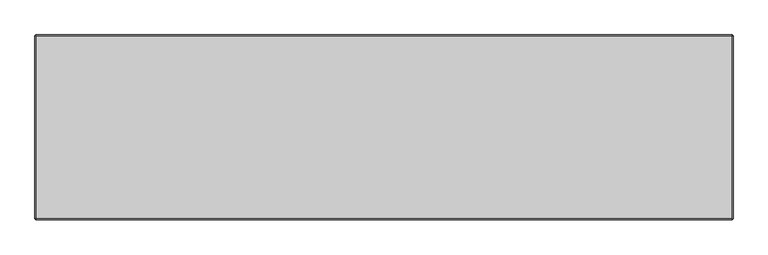
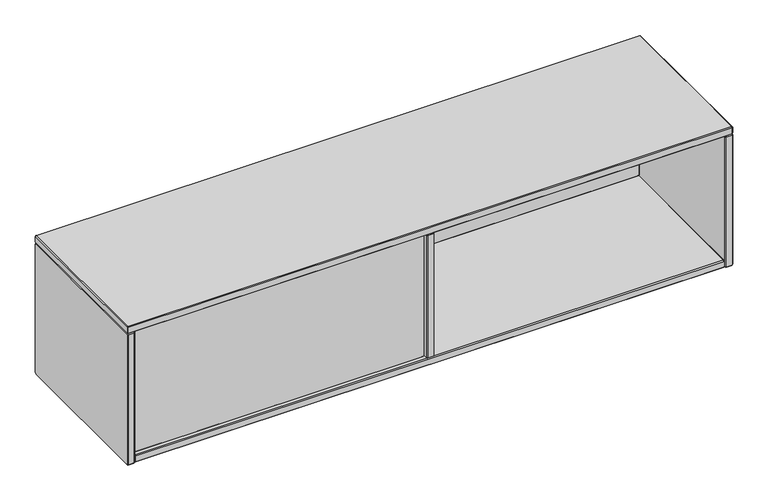
"""IFC4 building model written with IfcOpenShell, lengths in millimetres: furniture geometry."""

import ifcopenshell
import ifcopenshell.guid

model = None  # the IFC model being written
_history = None  # IfcOwnerHistory: only IFC2X3 demands one
_inside = {}  # id of a spatial element -> (the spatial element, [elements in it])
_under = {}  # id of a project, library or spatial element -> (it, [spatial elements below it])
_declared = {}  # id of a project -> (the project, [libraries it declares])
_typed = {}  # id of a type object -> (the type object, [elements of that type])
_made_of = {}  # id of a material, layer set ... -> (it, [elements and type objects made of it])


def new_model(schema):
    """Start an empty IFC model of exactly this schema.

    Asked for "IFC4X3", IfcOpenShell would pick the latest addendum, in which some entities
    have other attributes; the version numbers below select the first issue.
    IFC2X3 requires an IfcOwnerHistory on every rooted entity: one is made here for all.
    """
    global model, _history
    if schema == "IFC4X3":
        model = ifcopenshell.file(schema_version=(4, 3, 0, 0))
    else:
        model = ifcopenshell.file(schema=schema)
    _inside.clear()
    _under.clear()
    _declared.clear()
    _typed.clear()
    _made_of.clear()
    _history = None
    if model.schema == "IFC2X3":
        org = make("IfcOrganization", Name="unknown")
        user = make(
            "IfcPersonAndOrganization",
            ThePerson=make("IfcPerson", FamilyName="unknown"),
            TheOrganization=org,
        )
        app = make(
            "IfcApplication",
            ApplicationDeveloper=org,
            Version="unknown",
            ApplicationFullName="unknown",
            ApplicationIdentifier="unknown",
        )
        _history = make(
            "IfcOwnerHistory",
            OwningUser=user,
            OwningApplication=app,
            ChangeAction="ADDED",
            CreationDate=0,
        )
    return model


def make(cls, **values):
    """One entity of the class cls with the attributes given. An attribute that is None is left unset."""
    return model.create_entity(
        cls, **{name: value for name, value in values.items() if value is not None}
    )


def rooted(cls, **values):
    """An entity with a GlobalId (a new one), such as an element, a storey or a relation."""
    return make(cls, GlobalId=ifcopenshell.guid.new(), OwnerHistory=_history, **values)


def si_unit(unit_type, name, prefix=None):
    """IfcSIUnit, for example si_unit("LENGTHUNIT", "METRE", prefix="MILLI")."""
    return make("IfcSIUnit", UnitType=unit_type, Prefix=prefix, Name=name)


def assignment(units):
    """IfcUnitAssignment: the units of a project."""
    return None if units is None else make("IfcUnitAssignment", Units=units)


def point(xyz):
    """IfcCartesianPoint."""
    return None if xyz is None else make("IfcCartesianPoint", Coordinates=xyz)


def direction(xyz):
    """IfcDirection."""
    return None if xyz is None else make("IfcDirection", DirectionRatios=xyz)


def frame(location, z_axis=None, x_axis=None):
    """IfcAxis2Placement3D, a coordinate frame: its origin and axes. An axis left out is left unset."""
    return make(
        "IfcAxis2Placement3D",
        Location=point(location),
        Axis=direction(z_axis),
        RefDirection=direction(x_axis),
    )


def origin():
    """The frame at (0, 0, 0) with its axes left unset."""
    return frame((0.0, 0.0, 0.0))


def place(relative_to, where):
    """IfcLocalPlacement: puts the frame where relative to a parent placement (None: the world)."""
    return make(
        "IfcLocalPlacement", PlacementRelTo=relative_to, RelativePlacement=where
    )


def context(
    kind, dimensions, precision=None, world=None, true_north=None, identifier=None
):
    """IfcGeometricRepresentationContext, for example the 3D "Model" context."""
    return make(
        "IfcGeometricRepresentationContext",
        ContextIdentifier=identifier,
        ContextType=kind,
        CoordinateSpaceDimension=dimensions,
        Precision=precision,
        WorldCoordinateSystem=world,
        TrueNorth=true_north,
    )


def project(units=None, contexts=None):
    """IfcProject with its units and contexts."""
    return rooted(
        "IfcProject",
        Name="project",
        RepresentationContexts=contexts,
        UnitsInContext=assignment(units),
    )


def spatial(cls, under=None, at=None, **own):
    """A site, building, storey or space (cls), placed at a placement, below another one or the project."""
    s = rooted(cls, ObjectPlacement=at, **own)
    if under is not None:
        _under.setdefault(under.id(), (under, []))[1].append(s)
    return s


def faces_of(points, faces, orient=None, outer=None):
    """IfcFace entities. A face is a list of loops; a loop is a list of indices into points, from 0.

    orient and outer hold one flag for each loop. By default every Orientation is true, the
    first loop of a face is its IfcFaceOuterBound and the others are IfcFaceBound.
    """
    made = []
    for i, loops in enumerate(faces):
        bounds = []
        for j, loop in enumerate(loops):
            is_outer = j == 0 if outer is None else outer[i][j]
            bounds.append(
                make(
                    "IfcFaceOuterBound" if is_outer else "IfcFaceBound",
                    Bound=make("IfcPolyLoop", Polygon=[points[k] for k in loop]),
                    Orientation=True if orient is None else orient[i][j],
                )
            )
        made.append(make("IfcFace", Bounds=bounds))
    return made


def faceted_brep(points, faces, orient=None, outer=None, voids=None):
    """IfcFacetedBrep: a solid bounded by flat faces; with voids (closed shells), ...WithVoids."""
    shared = [point(p) for p in points]
    hull = make("IfcClosedShell", CfsFaces=faces_of(shared, faces, orient, outer))
    if voids is None:
        return make("IfcFacetedBrep", Outer=hull)
    return make(
        "IfcFacetedBrepWithVoids",
        Outer=hull,
        Voids=[
            make(cls, CfsFaces=faces_of(shared, fs, o, b)) for cls, fs, o, b in voids
        ],
    )


def shape(context_of_items, identifier, shape_type, items):
    """IfcShapeRepresentation: the items that make up one representation, for example the "Body"."""
    return make(
        "IfcShapeRepresentation",
        ContextOfItems=context_of_items,
        RepresentationIdentifier=identifier,
        RepresentationType=shape_type,
        Items=items,
    )


def source(mapping_origin, context_of_items, identifier, shape_type, items):
    """IfcRepresentationMap: a shape defined once, which mapped items show again and again."""
    return make(
        "IfcRepresentationMap",
        MappingOrigin=mapping_origin,
        MappedRepresentation=shape(context_of_items, identifier, shape_type, items),
    )


def transform(
    local_origin,
    x_axis=None,
    y_axis=None,
    z_axis=None,
    scale=None,
    scale2=None,
    scale3=None,
    uniform=True,
):
    """IfcCartesianTransformationOperator3D, or its non-uniform kind. x_axis, y_axis, z_axis: its Axis1, 2, 3."""
    if uniform:
        return make(
            "IfcCartesianTransformationOperator3D",
            Axis1=direction(x_axis),
            Axis2=direction(y_axis),
            LocalOrigin=point(local_origin),
            Scale=scale,
            Axis3=direction(z_axis),
        )
    return make(
        "IfcCartesianTransformationOperator3DnonUniform",
        Axis1=direction(x_axis),
        Axis2=direction(y_axis),
        LocalOrigin=point(local_origin),
        Scale=scale,
        Axis3=direction(z_axis),
        Scale2=scale2,
        Scale3=scale3,
    )


def mapped(mapping_source, mapping_target):
    """IfcMappedItem: shows the shape of a source again, moved by a transform."""
    return make(
        "IfcMappedItem", MappingSource=mapping_source, MappingTarget=mapping_target
    )


def made_of(thing, what):
    """Note that an element or type object is made of a material, layer set ...; save() writes the relation."""
    if what is not None:
        _made_of.setdefault(what.id(), (what, []))[1].append(thing)
    return thing


def element(
    cls,
    number,
    at=None,
    inside=None,
    cuts=None,
    type_object=None,
    material=None,
    context=None,
    identifier="Body",
    shape_type=None,
    held_by="IfcProductDefinitionShape",
    body=None,
    shapes=None,
    **own,
):
    """One element of the class cls, such as IfcWall. Its Tag is "e" and its number.

    at: its placement. inside: the storey or other place that contains it. cuts: it is an
    opening in that element (IfcRelVoidsElement). A single representation is given by context,
    identifier, shape_type and body (its items); several are given by shapes. held_by: the class
    of the entity that holds the representations. save() writes the other relations.
    """
    e = rooted(cls, Tag="e%d" % number, ObjectPlacement=at, **own)
    if body is not None:
        shapes = [shape(context, identifier, shape_type, body)]
    if shapes is not None:
        e.Representation = make(held_by, Representations=shapes)
    if inside is not None:
        _inside.setdefault(inside.id(), (inside, []))[1].append(e)
    if cuts is not None:
        rooted(
            "IfcRelVoidsElement", RelatingBuildingElement=cuts, RelatedOpeningElement=e
        )
    if type_object is not None:
        _typed.setdefault(type_object.id(), (type_object, []))[1].append(e)
    return made_of(e, material)


def aggregate(whole, parts):
    """IfcRelAggregates: a whole, such as a stair, and the parts it consists of."""
    return rooted("IfcRelAggregates", RelatingObject=whole, RelatedObjects=parts)


def save(model, path):
    """Write the relations noted so far, then the file.

    IfcRelAggregates (storeys below a building ...), IfcRelContainedInSpatialStructure (elements
    in a storey), IfcRelDefinesByType, IfcRelAssociatesMaterial and IfcRelDeclares: one each for
    every whole, place, type object, material and project.
    """
    for whole, parts in _under.values():
        aggregate(whole, parts)
    for where, things in _inside.values():
        rooted(
            "IfcRelContainedInSpatialStructure",
            RelatedElements=things,
            RelatingStructure=where,
        )
    for kind, things in _typed.values():
        rooted("IfcRelDefinesByType", RelatedObjects=things, RelatingType=kind)
    for what, things in _made_of.values():
        rooted("IfcRelAssociatesMaterial", RelatedObjects=things, RelatingMaterial=what)
    for by, libraries in _declared.values():
        rooted("IfcRelDeclares", RelatingContext=by, RelatedDefinitions=libraries)
    model.write(path)


def furniture_c5a16256(model_context):
    return source(origin(), model_context, "Body", "Brep", [
        faceted_brep([(22.564297, -209.0126135, 1077.0826604), (21.7169989, -209.0126135, 1077.9299584), (21.7169986, -209.0126135, 1402.686119), (22.5630082, -209.0126135, 1403.5321292), (751.2467091, -209.0126135, 1403.5321295), (752.0939981, -209.0126135, 1402.684841), (752.0939984, -209.0126135, 1077.9312381), (751.2454211, -209.0126135, 1077.0826604), (21.7169989, -228.3166132, 1077.9299584), (22.564297, -228.3166132, 1077.0826604), (751.2454203, -228.3166132, 1077.08266), (752.0939981, -228.3166132, 1077.9312373), (752.0939984, -228.3166132, 1402.6848402), (751.2467099, -228.3166132, 1403.5321292), (22.5630091, -228.3166132, 1403.5321295), (21.7169989, -228.3166132, 1402.6861198), (19.684994, -211.044618, 1077.0882749), (21.7226135, -211.044618, 1075.0506555), (21.7226135, -226.2846087, 1075.0506555), (19.684994, -226.2846087, 1077.0882749), (752.0871047, -211.044618, 1075.0506555), (752.0871047, -226.2846087, 1075.0506555), (754.126003, -211.044618, 1077.0895538), (754.126003, -226.2846087, 1077.0895538), (754.126003, -211.044618, 1403.5265245), (754.126003, -226.2846087, 1403.5265245), (752.0883934, -211.044618, 1405.5641341), (752.0883934, -226.2846087, 1405.5641341), (21.7213247, -211.044618, 1405.5641341), (21.7213247, -226.2846087, 1405.5641341), (19.684994, -211.044618, 1403.5278034), (19.684994, -226.2846087, 1403.5278034)], [[[0, 1, 2, 3, 4, 5, 6, 7]], [[8, 9, 10, 11, 12, 13, 14, 15]], [[16, 1, 0, 17]], [[16, 17, 18, 19]], [[19, 18, 9, 8]], [[17, 0, 7, 20]], [[18, 17, 20, 21]], [[9, 18, 21, 10]], [[20, 7, 6, 22]], [[21, 20, 22, 23]], [[10, 21, 23, 11]], [[22, 6, 5, 24]], [[23, 22, 24, 25]], [[11, 23, 25, 12]], [[24, 5, 4, 26]], [[25, 24, 26, 27]], [[12, 25, 27, 13]], [[26, 4, 3, 28]], [[27, 26, 28, 29]], [[13, 27, 29, 14]], [[28, 3, 2, 30]], [[29, 28, 30, 31]], [[14, 29, 31, 15]], [[1, 16, 30, 2]], [[16, 19, 31, 30]], [[19, 8, 15, 31]]]),
        faceted_brep([(773.429997, 148.8452595, 1077.0882749), (775.4620027, 150.8772652, 1077.9299592), (776.3093008, 150.8772652, 1077.0826612), (775.4676165, 148.8452595, 1075.0506555), (775.4676165, 133.6052689, 1075.0506555), (773.429997, 133.6052689, 1077.0882749), (776.3093008, 131.5732632, 1077.0826612), (775.4620011, 131.5732654, 1077.9299576), (1501.4344233, 150.8772652, 1077.0826612), (1502.2761077, 148.8452595, 1075.0506555), (1502.2761077, 133.6052689, 1075.0506555), (1501.4344233, 131.5732632, 1077.0826612), (1502.2830003, 150.8772652, 1077.9312381), (1504.315006, 148.8452595, 1077.0895538), (1504.315006, 133.6052689, 1077.0895538), (1502.2830003, 131.5732632, 1077.9312381), (1502.2830003, 150.8772652, 1402.6848402), (1504.315006, 148.8452595, 1403.5265245), (1504.315006, 133.6052689, 1403.5265245), (1502.2830003, 131.5732632, 1402.6848402), (1501.4357121, 150.8772652, 1403.5321284), (1502.2773964, 148.8452595, 1405.5641341), (1502.2773964, 133.6052689, 1405.5641341), (1501.4357121, 131.5732632, 1403.5321284), (776.308012, 150.8772652, 1403.5321284), (775.4663277, 148.8452595, 1405.5641341), (775.4663277, 133.6052689, 1405.5641341), (776.308012, 131.5732632, 1403.5321284), (775.4620027, 150.8772652, 1402.686119), (773.429997, 148.8452595, 1403.5278034), (773.429997, 133.6052689, 1403.5278034), (775.4620027, 131.5732632, 1402.686119)], [[[0, 1, 2, 3]], [[0, 3, 4, 5]], [[5, 4, 6, 7]], [[3, 2, 8, 9]], [[4, 3, 9, 10]], [[6, 4, 10, 11]], [[9, 8, 12, 13]], [[10, 9, 13, 14]], [[11, 10, 14, 15]], [[13, 12, 16, 17]], [[14, 13, 17, 18]], [[15, 14, 18, 19]], [[17, 16, 20, 21]], [[18, 17, 21, 22]], [[19, 18, 22, 23]], [[21, 20, 24, 25]], [[22, 21, 25, 26]], [[23, 22, 26, 27]], [[25, 24, 28, 29]], [[26, 25, 29, 30]], [[27, 26, 30, 31]], [[1, 0, 29, 28]], [[0, 5, 30, 29]], [[5, 7, 31, 30]], [[2, 1, 28, 24, 20, 16, 12, 8]], [[7, 6, 11, 15, 19, 23, 27, 31]]]),
        faceted_brep([(0.381, 160.1899826, 1403.5321289), (0.381, 161.0359948, 1402.6861167), (0.381, 161.0359948, 1060.6585981), (0.381, 158.1641576, 1057.7805146), (0.381, -237.6617899, 1057.7773915), (0.381, -238.507861, 1058.6234626), (0.381, -238.5047378, 1402.6861258), (0.381, -237.6587347, 1403.5321289), (19.6849994, 161.035991, 1402.6861129), (19.6849994, 160.1899788, 1403.5321251), (19.6849994, -237.6587347, 1403.5321235), (19.6849994, -238.504734, 1402.686122), (19.6849994, -238.5047325, 1058.6265857), (19.6849994, -237.6649092, 1057.7805184), (19.6849994, 158.1610344, 1057.7773968), (19.6849994, 161.0391141, 1060.6554788), (2.4130052, 163.068, 1403.5278008), (2.4130052, 161.0316667, 1405.5641341), (17.6529888, 161.0316667, 1405.5641341), (17.6529888, 163.068, 1403.5278008), (2.4130052, -238.5004189, 1405.5641341), (17.6529888, -238.5004189, 1405.5641341), (2.4130052, -240.5367431, 1403.5278099), (17.6529888, -240.5367431, 1403.5278099), (2.4130052, -240.5367431, 1057.7786553), (17.6529888, -240.5367431, 1057.7786553), (2.4130052, -238.503474, 1055.7453862), (17.6529888, -238.503474, 1055.7453862), (2.4130052, 159.0027185, 1055.7453862), (17.6529888, 159.0027185, 1055.7453862), (2.4130052, 163.068, 1059.8106677), (17.6529888, 163.068, 1059.8106677)], [[[0, 1, 2, 3, 4, 5, 6, 7]], [[8, 9, 10, 11, 12, 13, 14, 15]], [[16, 1, 0, 17]], [[16, 17, 18, 19]], [[19, 18, 9, 8]], [[17, 0, 7, 20]], [[18, 17, 20, 21]], [[9, 18, 21, 10]], [[20, 7, 6, 22]], [[21, 20, 22, 23]], [[10, 21, 23, 11]], [[22, 6, 5, 24]], [[23, 22, 24, 25]], [[11, 23, 25, 12]], [[24, 5, 4, 26]], [[25, 24, 26, 27]], [[12, 25, 27, 13]], [[26, 4, 3, 28]], [[27, 26, 28, 29]], [[13, 27, 29, 14]], [[28, 3, 2, 30]], [[29, 28, 30, 31]], [[14, 29, 31, 15]], [[1, 16, 30, 2]], [[16, 19, 31, 30]], [[19, 8, 15, 31]]]),
        faceted_brep([(773.4300073, 159.0039823, 1402.6861094), (773.4300073, 158.1579701, 1403.5321216), (773.4300073, -235.5967084, 1403.5321186), (773.4300073, -236.4427043, 1402.6854873), (773.4300073, -236.4420701, 1077.9256086), (773.4300073, -235.5994407, 1077.0829835), (773.4300073, 156.1290292, 1077.0826709), (773.4300073, 159.0039823, 1079.9576283), (754.1253716, 158.157531, 1403.5316824), (754.1253716, 159.0035431, 1402.6856703), (754.1253716, 159.0033582, 1079.957621), (754.1253716, 156.1285828, 1077.0831071), (754.1253716, -235.5991324, 1077.083292), (754.1253716, -236.4413183, 1077.9257395), (754.1253716, -236.441449, 1402.6861258), (754.1253716, -235.5959464, 1403.5313668), (756.1580082, 161.0359948, 1403.5278008), (756.1580082, 158.9996615, 1405.5641341), (771.3979918, 158.9996615, 1405.5641341), (771.3979918, 161.0359948, 1403.5278008), (756.1580082, -236.4377614, 1405.5641341), (771.3979918, -236.4377614, 1405.5641341), (756.1580082, -238.4740856, 1403.5278099), (771.3979918, -238.4740856, 1403.5278099), (756.1580082, -238.4740856, 1077.0839245), (771.3979918, -238.4740856, 1077.0839245), (756.1580082, -236.4408165, 1075.0506555), (771.3979918, -236.4408165, 1075.0506555), (756.1580082, 156.9707133, 1075.0506555), (771.3979918, 156.9707133, 1075.0506555), (756.1580082, 161.0359948, 1079.1159369), (771.3979918, 161.0359948, 1079.1159369)], [[[0, 1, 2, 3, 4, 5, 6, 7]], [[8, 9, 10, 11, 12, 13, 14, 15]], [[16, 9, 8, 17]], [[16, 17, 18, 19]], [[19, 18, 1, 0]], [[17, 8, 15, 20]], [[18, 17, 20, 21]], [[1, 18, 21, 2]], [[20, 15, 14, 22]], [[21, 20, 22, 23]], [[2, 21, 23, 3]], [[22, 14, 13, 24]], [[23, 22, 24, 25]], [[3, 23, 25, 4]], [[24, 13, 12, 26]], [[25, 24, 26, 27]], [[4, 25, 27, 5]], [[26, 12, 11, 28]], [[27, 26, 28, 29]], [[5, 27, 29, 6]], [[28, 11, 10, 30]], [[29, 28, 30, 31]], [[6, 29, 31, 7]], [[9, 16, 30, 10]], [[16, 19, 31, 30]], [[19, 0, 7, 31]]]),
        faceted_brep([(1521.5869948, 163.0679927, 1403.5277978), (1506.3470112, 163.0679927, 1403.5277978), (1506.3470112, 161.0316637, 1405.5641268), (1521.5869948, 161.0316637, 1405.5641268), (1506.3470112, -238.5004158, 1405.5641268), (1521.5869948, -238.5004158, 1405.5641268), (1506.3470112, -240.5367358, 1403.5278069), (1521.5869948, -240.5367358, 1403.5278069), (1506.3470112, -240.5367358, 1057.7730446), (1521.5869948, -240.5367358, 1057.7730446), (1506.3470112, -238.503471, 1055.7397798), (1521.5869948, -238.503471, 1055.7397798), (1506.3470112, 159.0027155, 1055.7397798), (1521.5869948, 159.0027155, 1055.7397798), (1506.3470112, 163.0679927, 1059.805057), (1521.5869948, 163.0679927, 1059.805057), (1523.619, 160.1899796, 1403.5321216), (1523.619, 161.0359875, 1402.6861137), (1504.315006, 161.0359875, 1402.6861137), (1504.3150097, 160.1899822, 1403.5321242), (1523.619, -237.6587317, 1403.5321216), (1504.3150097, -237.6587317, 1403.5321253), (1523.619, -238.5047305, 1402.6861227), (1504.3150097, -238.5047332, 1402.6861254), (1523.619, -238.5047305, 1058.6147287), (1504.3150097, -238.5047343, 1058.6147287), (1523.619, -237.6617868, 1057.771785), (1504.3150097, -237.6617895, 1057.7717824), (1523.619, 158.1610314, 1057.771785), (1504.3150097, 158.1610314, 1057.7717813), (1523.619, 161.0359875, 1060.6467411), (1504.3150097, 161.0359901, 1060.6467385)], [[[0, 1, 2, 3]], [[3, 2, 4, 5]], [[5, 4, 6, 7]], [[7, 6, 8, 9]], [[9, 8, 10, 11]], [[11, 10, 12, 13]], [[13, 12, 14, 15]], [[1, 0, 15, 14]], [[0, 3, 16, 17]], [[2, 1, 18, 19]], [[3, 5, 20, 16]], [[4, 2, 19, 21]], [[5, 7, 22, 20]], [[6, 4, 21, 23]], [[7, 9, 24, 22]], [[8, 6, 23, 25]], [[9, 11, 26, 24]], [[10, 8, 25, 27]], [[11, 13, 28, 26]], [[12, 10, 27, 29]], [[13, 15, 30, 28]], [[14, 12, 29, 31]], [[15, 0, 17, 30]], [[1, 14, 31, 18]], [[19, 18, 31, 29, 27, 25, 23, 21]], [[17, 16, 20, 22, 24, 26, 28, 30]]]),
        faceted_brep([(2.4142691, 160.1937872, 1405.5641341), (0.381, 161.0359948, 1407.5974031), (2.4130052, 163.068, 1407.5974031), (3.2552128, 161.0347309, 1405.5641341), (0.381, 161.0359948, 1422.8305205), (2.4142691, 160.1937872, 1424.8637895), (3.2552128, 161.0347309, 1424.8637895), (2.4130052, 163.068, 1422.8305205), (1521.5869875, 163.068, 1407.5974031), (1520.7447799, 161.0347309, 1405.5641341), (1520.7447799, 161.0347309, 1424.8637895), (1521.5869875, 163.068, 1422.8305205), (1523.619, 161.0359875, 1407.5974031), (1521.5857309, 160.1937799, 1405.5641341), (1521.5857309, 160.1937799, 1424.8637895), (1523.619, 161.0359875, 1422.8305205), (1523.619, -238.5047363, 1407.5974031), (1521.5857309, -237.6625286, 1405.5641341), (1521.5857309, -237.6625286, 1424.8637895), (1523.619, -238.5047363, 1422.8305205), (1521.5869932, -240.5367431, 1407.5974031), (1520.7447856, -238.503474, 1405.5641341), (1520.7447856, -238.503474, 1424.8637895), (1521.5869932, -240.5367431, 1422.8305205), (2.413, -240.5367431, 1407.5974031), (3.2552076, -238.503474, 1405.5641341), (3.2552076, -238.503474, 1424.8637895), (2.413, -240.5367431, 1422.8305205), (0.381, -238.5047431, 1407.5974031), (2.4142691, -237.6625355, 1405.5641341), (2.4142691, -237.6625355, 1424.8637895), (0.381, -238.5047431, 1422.8305205)], [[[0, 1, 2, 3]], [[4, 5, 6, 7]], [[2, 1, 4, 7]], [[3, 2, 8, 9]], [[7, 6, 10, 11]], [[2, 7, 11, 8]], [[9, 8, 12, 13]], [[11, 10, 14, 15]], [[8, 11, 15, 12]], [[13, 12, 16, 17]], [[15, 14, 18, 19]], [[12, 15, 19, 16]], [[17, 16, 20, 21]], [[19, 18, 22, 23]], [[16, 19, 23, 20]], [[21, 20, 24, 25]], [[23, 22, 26, 27]], [[20, 23, 27, 24]], [[25, 24, 28, 29]], [[27, 26, 30, 31]], [[24, 27, 31, 28]], [[1, 0, 29, 28]], [[5, 4, 31, 30]], [[4, 1, 28, 31]], [[6, 5, 30, 26, 22, 18, 14, 10]], [[0, 3, 9, 13, 17, 21, 25, 29]]]),
        faceted_brep([(21.7182631, 160.1937872, 1055.751), (19.684994, 161.0359948, 1057.7842691), (21.7169992, 163.068, 1057.7842691), (22.5592069, 161.0347309, 1055.751), (19.684994, 161.0359948, 1073.0173864), (21.7182631, 160.1937872, 1075.0506555), (22.5631764, 161.0307614, 1075.0562692), (21.7169992, 163.068, 1073.0173864), (1502.2829972, 163.068, 1057.7842691), (1501.4407896, 161.0347309, 1055.751), (1501.4407896, 161.0291172, 1075.0562692), (1502.2829972, 163.068, 1073.0173864), (1504.3150097, 161.0359875, 1057.7842691), (1502.2817406, 160.1937799, 1055.751), (1502.2777711, 160.1898103, 1075.0562692), (1504.3150097, 161.0359875, 1073.0173864), (1504.3150097, -236.4420788, 1057.7842691), (1502.2817406, -235.5998711, 1055.751), (1502.2761269, -235.5998711, 1075.0562692), (1504.3150097, -236.4420788, 1073.0173864), (1502.2830029, -238.4740856, 1057.7842691), (1501.4407953, -236.4408165, 1055.751), (1501.4368258, -236.436847, 1075.0562692), (1502.2830029, -238.4740856, 1073.0173864), (21.716994, -238.4740856, 1057.7842691), (22.5592016, -236.4408165, 1055.751), (22.5592016, -236.4352027, 1075.0562692), (21.716994, -238.4740856, 1073.0173864), (19.684994, -236.4420856, 1057.7842691), (21.7182631, -235.599878, 1055.751), (21.7222326, -235.5959084, 1075.0562692), (19.684994, -236.4420856, 1073.0173864)], [[[0, 1, 2, 3]], [[4, 5, 6, 7]], [[2, 1, 4, 7]], [[3, 2, 8, 9]], [[7, 6, 10, 11]], [[2, 7, 11, 8]], [[9, 8, 12, 13]], [[11, 10, 14, 15]], [[8, 11, 15, 12]], [[13, 12, 16, 17]], [[15, 14, 18, 19]], [[12, 15, 19, 16]], [[17, 16, 20, 21]], [[19, 18, 22, 23]], [[16, 19, 23, 20]], [[21, 20, 24, 25]], [[23, 22, 26, 27]], [[20, 23, 27, 24]], [[25, 24, 28, 29]], [[27, 26, 30, 31]], [[24, 27, 31, 28]], [[1, 0, 29, 28]], [[5, 4, 31, 30]], [[4, 1, 28, 31]], [[6, 5, 30, 26, 22, 18, 14, 10]], [[0, 3, 9, 13, 17, 21, 25, 29]]]),
    ])


if __name__ == "__main__":
    model = new_model("IFC4")
    model_context = context("Model", 3, world=origin())
    ifc_project = project(units=[si_unit("LENGTHUNIT", "METRE", prefix="MILLI")], contexts=[model_context])
    site = spatial("IfcSite", under=ifc_project)
    building = spatial("IfcBuilding", under=site)
    placement = place(None, origin())
    furniture_shape = furniture_c5a16256(model_context)
    element("IfcFurniture", 1, at=placement, inside=building, context=model_context, shape_type="MappedRepresentation", body=[
        mapped(furniture_shape, transform((0.0, 0.0, 0.0), x_axis=(1.0, 0.0, 0.0), y_axis=(0.0, 1.0, 0.0), z_axis=(0.0, 0.0, 1.0))),
    ])
    save(model, "model.ifc")
